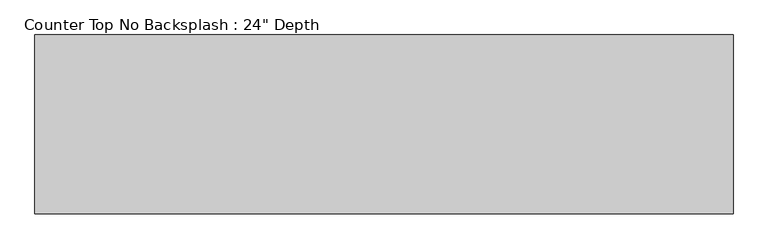
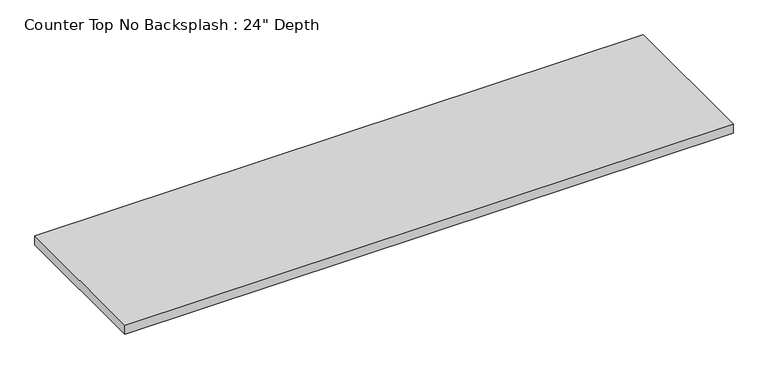
"""IFC4 building model written with IfcOpenShell, lengths in millimetres: furniture geometry."""

from ifc_helpers import new_model, si_unit, frame, origin, place, context, project, spatial, polyline, outline, extrude, source, transform, mapped, element, save


def furniture_64af492f(model_context):
    return source(origin(), model_context, "Body", "SweptSolid", [
        extrude(outline(polyline([(1279.2431243, 0.0), (1279.2431243, -635.0), (-1200.4622951, -635.0), (-1200.4622951, 0.0), (1279.2431243, 0.0)])), frame((0.0, 0.0, 876.3), z_axis=(0.0, 0.0, 1.0), x_axis=(1.0, 0.0, 0.0)), (0.0, 0.0, 1.0), 38.1),
    ])


if __name__ == "__main__":
    model = new_model("IFC4")
    model_context = context("Model", 3, world=origin())
    ifc_project = project(units=[si_unit("LENGTHUNIT", "METRE", prefix="MILLI")], contexts=[model_context])
    site = spatial("IfcSite", under=ifc_project)
    building = spatial("IfcBuilding", under=site)
    placement = place(None, origin())
    furniture_shape = furniture_64af492f(model_context)
    element("IfcFurniture", 1, ObjectType="Counter Top No Backsplash : 24\" Depth", at=placement, inside=building, context=model_context, shape_type="MappedRepresentation", body=[
        mapped(furniture_shape, transform((0.0, 0.0, 0.0), x_axis=(1.0, 0.0, 0.0), y_axis=(0.0, 1.0, 0.0), z_axis=(0.0, 0.0, 1.0))),
    ])
    save(model, "model.ifc")
